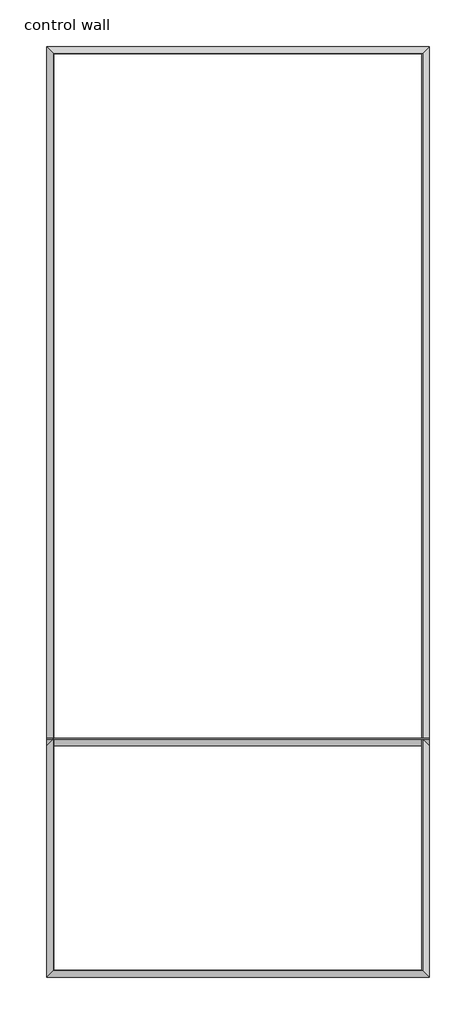
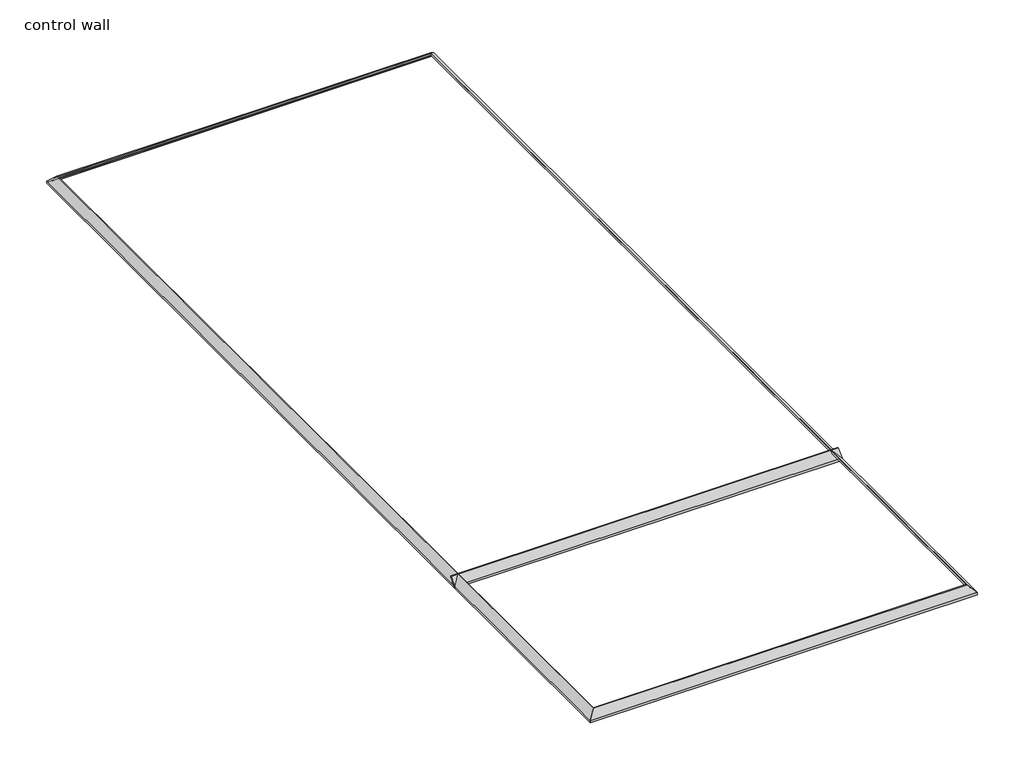
# One storey: 5 proxies.
"""IFC4 building model written with IfcOpenShell, lengths in millimetres."""

import ifcopenshell
import ifcopenshell.guid

model = None  # the IFC model being written
_history = None  # IfcOwnerHistory: only IFC2X3 demands one
_inside = {}  # id of a spatial element -> (the spatial element, [elements in it])
_under = {}  # id of a project, library or spatial element -> (it, [spatial elements below it])
_declared = {}  # id of a project -> (the project, [libraries it declares])
_typed = {}  # id of a type object -> (the type object, [elements of that type])
_made_of = {}  # id of a material, layer set ... -> (it, [elements and type objects made of it])


def new_model(schema):
    """Start an empty IFC model of exactly this schema.

    Asked for "IFC4X3", IfcOpenShell would pick the latest addendum, in which some entities
    have other attributes; the version numbers below select the first issue.
    IFC2X3 requires an IfcOwnerHistory on every rooted entity: one is made here for all.
    """
    global model, _history
    if schema == "IFC4X3":
        model = ifcopenshell.file(schema_version=(4, 3, 0, 0))
    else:
        model = ifcopenshell.file(schema=schema)
    _inside.clear()
    _under.clear()
    _declared.clear()
    _typed.clear()
    _made_of.clear()
    _history = None
    if model.schema == "IFC2X3":
        org = make("IfcOrganization", Name="unknown")
        user = make(
            "IfcPersonAndOrganization",
            ThePerson=make("IfcPerson", FamilyName="unknown"),
            TheOrganization=org,
        )
        app = make(
            "IfcApplication",
            ApplicationDeveloper=org,
            Version="unknown",
            ApplicationFullName="unknown",
            ApplicationIdentifier="unknown",
        )
        _history = make(
            "IfcOwnerHistory",
            OwningUser=user,
            OwningApplication=app,
            ChangeAction="ADDED",
            CreationDate=0,
        )
    return model


def make(cls, **values):
    """One entity of the class cls with the attributes given. An attribute that is None is left unset."""
    return model.create_entity(
        cls, **{name: value for name, value in values.items() if value is not None}
    )


def rooted(cls, **values):
    """An entity with a GlobalId (a new one), such as an element, a storey or a relation."""
    return make(cls, GlobalId=ifcopenshell.guid.new(), OwnerHistory=_history, **values)


def si_unit(unit_type, name, prefix=None):
    """IfcSIUnit, for example si_unit("LENGTHUNIT", "METRE", prefix="MILLI")."""
    return make("IfcSIUnit", UnitType=unit_type, Prefix=prefix, Name=name)


def assignment(units):
    """IfcUnitAssignment: the units of a project."""
    return None if units is None else make("IfcUnitAssignment", Units=units)


def point(xyz):
    """IfcCartesianPoint."""
    return None if xyz is None else make("IfcCartesianPoint", Coordinates=xyz)


def direction(xyz):
    """IfcDirection."""
    return None if xyz is None else make("IfcDirection", DirectionRatios=xyz)


def frame(location, z_axis=None, x_axis=None):
    """IfcAxis2Placement3D, a coordinate frame: its origin and axes. An axis left out is left unset."""
    return make(
        "IfcAxis2Placement3D",
        Location=point(location),
        Axis=direction(z_axis),
        RefDirection=direction(x_axis),
    )


def frame_2d(location, x_axis=None):
    """IfcAxis2Placement2D, a coordinate frame in the plane: its origin and x axis."""
    return make(
        "IfcAxis2Placement2D", Location=point(location), RefDirection=direction(x_axis)
    )


def origin():
    """The frame at (0, 0, 0) with its axes left unset."""
    return frame((0.0, 0.0, 0.0))


def place(relative_to, where):
    """IfcLocalPlacement: puts the frame where relative to a parent placement (None: the world)."""
    return make(
        "IfcLocalPlacement", PlacementRelTo=relative_to, RelativePlacement=where
    )


def context(
    kind, dimensions, precision=None, world=None, true_north=None, identifier=None
):
    """IfcGeometricRepresentationContext, for example the 3D "Model" context."""
    return make(
        "IfcGeometricRepresentationContext",
        ContextIdentifier=identifier,
        ContextType=kind,
        CoordinateSpaceDimension=dimensions,
        Precision=precision,
        WorldCoordinateSystem=world,
        TrueNorth=true_north,
    )


def project(units=None, contexts=None):
    """IfcProject with its units and contexts."""
    return rooted(
        "IfcProject",
        Name="project",
        RepresentationContexts=contexts,
        UnitsInContext=assignment(units),
    )


def spatial(cls, under=None, at=None, **own):
    """A site, building, storey or space (cls), placed at a placement, below another one or the project."""
    s = rooted(cls, ObjectPlacement=at, **own)
    if under is not None:
        _under.setdefault(under.id(), (under, []))[1].append(s)
    return s


def polyline(points):
    """IfcPolyline through the points."""
    return make("IfcPolyline", Points=[point(p) for p in points])


def circle_curve(where, radius):
    """IfcCircle in the frame where."""
    return make("IfcCircle", Position=where, Radius=radius)


def ellipse_curve(where, semi_axis1, semi_axis2):
    """IfcEllipse in the frame where."""
    return make(
        "IfcEllipse", Position=where, SemiAxis1=semi_axis1, SemiAxis2=semi_axis2
    )


def trimmed(basis, trim1, trim2, sense, master):
    """IfcTrimmedCurve: the piece of a basis curve between two trims."""
    return make(
        "IfcTrimmedCurve",
        BasisCurve=basis,
        Trim1=trim1,
        Trim2=trim2,
        SenseAgreement=sense,
        MasterRepresentation=master,
    )


def segment(curve, same_sense, transition):
    """IfcCompositeCurveSegment."""
    return make(
        "IfcCompositeCurveSegment",
        Transition=transition,
        SameSense=same_sense,
        ParentCurve=curve,
    )


def composite_curve(segments, self_intersect=None):
    """IfcCompositeCurve: segments joined end to end."""
    return make("IfcCompositeCurve", Segments=segments, SelfIntersect=self_intersect)


def outline(outer, holes=None, kind="AREA"):
    """IfcArbitraryClosedProfileDef: a profile drawn as a closed curve; with holes, ...WithVoids."""
    if holes is None:
        return make("IfcArbitraryClosedProfileDef", ProfileType=kind, OuterCurve=outer)
    return make(
        "IfcArbitraryProfileDefWithVoids",
        ProfileType=kind,
        OuterCurve=outer,
        InnerCurves=holes,
    )


def extrude(swept, where, along, depth):
    """IfcExtrudedAreaSolid: the profile swept, set in the frame where, extruded along a direction by depth."""
    return make(
        "IfcExtrudedAreaSolid",
        SweptArea=swept,
        Position=where,
        ExtrudedDirection=direction(along),
        Depth=depth,
    )


def shape(context_of_items, identifier, shape_type, items):
    """IfcShapeRepresentation: the items that make up one representation, for example the "Body"."""
    return make(
        "IfcShapeRepresentation",
        ContextOfItems=context_of_items,
        RepresentationIdentifier=identifier,
        RepresentationType=shape_type,
        Items=items,
    )


def made_of(thing, what):
    """Note that an element or type object is made of a material, layer set ...; save() writes the relation."""
    if what is not None:
        _made_of.setdefault(what.id(), (what, []))[1].append(thing)
    return thing


def element(
    cls,
    number,
    at=None,
    inside=None,
    cuts=None,
    type_object=None,
    material=None,
    context=None,
    identifier="Body",
    shape_type=None,
    held_by="IfcProductDefinitionShape",
    body=None,
    shapes=None,
    **own,
):
    """One element of the class cls, such as IfcWall. Its Tag is "e" and its number.

    at: its placement. inside: the storey or other place that contains it. cuts: it is an
    opening in that element (IfcRelVoidsElement). A single representation is given by context,
    identifier, shape_type and body (its items); several are given by shapes. held_by: the class
    of the entity that holds the representations. save() writes the other relations.
    """
    e = rooted(cls, Tag="e%d" % number, ObjectPlacement=at, **own)
    if body is not None:
        shapes = [shape(context, identifier, shape_type, body)]
    if shapes is not None:
        e.Representation = make(held_by, Representations=shapes)
    if inside is not None:
        _inside.setdefault(inside.id(), (inside, []))[1].append(e)
    if cuts is not None:
        rooted(
            "IfcRelVoidsElement", RelatingBuildingElement=cuts, RelatedOpeningElement=e
        )
    if type_object is not None:
        _typed.setdefault(type_object.id(), (type_object, []))[1].append(e)
    return made_of(e, material)


def aggregate(whole, parts):
    """IfcRelAggregates: a whole, such as a stair, and the parts it consists of."""
    return rooted("IfcRelAggregates", RelatingObject=whole, RelatedObjects=parts)


def save(model, path):
    """Write the relations noted so far, then the file.

    IfcRelAggregates (storeys below a building ...), IfcRelContainedInSpatialStructure (elements
    in a storey), IfcRelDefinesByType, IfcRelAssociatesMaterial and IfcRelDeclares: one each for
    every whole, place, type object, material and project.
    """
    for whole, parts in _under.values():
        aggregate(whole, parts)
    for where, things in _inside.values():
        rooted(
            "IfcRelContainedInSpatialStructure",
            RelatedElements=things,
            RelatingStructure=where,
        )
    for kind, things in _typed.values():
        rooted("IfcRelDefinesByType", RelatedObjects=things, RelatingType=kind)
    for what, things in _made_of.values():
        rooted("IfcRelAssociatesMaterial", RelatedObjects=things, RelatingMaterial=what)
    for by, libraries in _declared.values():
        rooted("IfcRelDeclares", RelatingContext=by, RelatedDefinitions=libraries)
    model.write(path)


def plane_surface(at):
    """IfcPlane: the flat surface through the origin of the frame at, square to its z axis."""
    return make("IfcPlane", Position=at)


def cylinder_surface(at, radius):
    """IfcCylindricalSurface: all points at the distance radius from the z axis of the frame at."""
    return make("IfcCylindricalSurface", Position=at, Radius=radius)


def revolved_surface(curve, axis_point, axis_direction):
    """IfcSurfaceOfRevolution: the curve turned about the line through axis_point along axis_direction."""
    return make(
        "IfcSurfaceOfRevolution",
        SweptCurve=make("IfcArbitraryOpenProfileDef", ProfileType="CURVE", Curve=curve),
        AxisPosition=make("IfcAxis1Placement", Location=point(axis_point), Axis=direction(axis_direction)),
    )


def advanced_brep(points, edges, surfaces, faces):
    """IfcAdvancedBrep: a solid bounded by faces that lie on surfaces and meet in shared edges.

    An edge is (start, end): straight between two places in points (the first is 0);
    or (start, end, curve); or (start, end, curve, False) where it runs against its curve.
    A face is (place in surfaces, loops), or (place, loops, False) where it looks against
    its surface's normal. A loop lists edges by number (the first is 1), with a minus sign
    where the edge is run from its end to its start. The first loop is the outer one.
    """
    corners = [point(p) for p in points]
    vertices = [make("IfcVertexPoint", VertexGeometry=c) for c in corners]
    made = []
    for start, end, *more in edges:
        made.append(
            make(
                "IfcEdgeCurve",
                EdgeStart=vertices[start],
                EdgeEnd=vertices[end],
                EdgeGeometry=more[0] if more else make("IfcPolyline", Points=[corners[start], corners[end]]),
                SameSense=more[1] if len(more) > 1 else True,
            )
        )
    hull = []
    for where, loops, *sense in faces:
        bounds = []
        for j, loop in enumerate(loops):
            ring = [make("IfcOrientedEdge", EdgeElement=made[abs(k) - 1], Orientation=k > 0) for k in loop]
            bounds.append(
                make(
                    "IfcFaceOuterBound" if j == 0 else "IfcFaceBound",
                    Bound=make("IfcEdgeLoop", EdgeList=ring),
                    Orientation=True,
                )
            )
        hull.append(make("IfcAdvancedFace", Bounds=bounds, FaceSurface=surfaces[where], SameSense=sense[0] if sense else True))
    return make("IfcAdvancedBrep", Outer=make("IfcClosedShell", CfsFaces=hull))


model = new_model("IFC4")

# Units and contexts
model_context = context("Model", 3, world=origin())
ifc_project = project(units=[si_unit("LENGTHUNIT", "METRE", prefix="MILLI")], contexts=[model_context])

# Site, building, storey
site = spatial("IfcSite", under=ifc_project)
building = spatial("IfcBuilding", under=site)
storey = spatial("IfcBuildingStorey", under=building, Name="control wall", Elevation=2133.6)

# Proxies
placement = place(None, origin())
element("IfcBuildingElementProxy", 1, Name="Wall Sweeps", at=placement, inside=storey, context=model_context, shape_type="AdvancedBrep", body=[
    advanced_brep(
    [(20183.443485, -18730.9029352, 2982.9793892), (20248.4640958, -18665.8823244, 3048.0), (20256.5667938, -18657.7796264, 3048.0), (20256.5667938, -18657.7796264, 3028.95), (20246.943485, -18667.4029352, 3028.95), (20226.4188051, -18687.9276151, 3008.4253202), (20205.8941253, -18708.4522949, 2987.9006403), (20205.8941253, -18708.4522949, 2981.5506403), (20192.4237411, -18721.9226791, 2968.0802561), (20192.4237411, -18721.9226791, 2959.1), (20183.443485, -18730.9029352, 2959.1), (23993.443485, -18730.9029352, 2982.9793892), (23993.443485, -18730.9029352, 2959.1), (23984.4632288, -18721.9226791, 2959.1), (23984.4632288, -18721.9226791, 2968.0802561), (23970.9928447, -18708.4522949, 2981.5506403), (23970.9928447, -18708.4522949, 2987.9006403), (23950.4681648, -18687.9276151, 3008.4253202), (23929.943485, -18667.4029352, 3028.95), (23920.3201762, -18657.7796264, 3028.95), (23920.3201762, -18657.7796264, 3048.0), (23928.4228741, -18665.8823244, 3048.0)],
    [
        (0, 1),
        (1, 2),
        (2, 3),
        (3, 4),
        (4, 5, ellipse_curve(frame((20246.943485, -18667.4029352, 3008.4253202), z_axis=(0.707106781186544, -0.7071067811865511, 0.0), x_axis=(0.707106781186551, 0.7071067811865441, 0.0)), 29.0262806, 20.5246798)),
        (5, 6, ellipse_curve(frame((20205.8941253, -18708.4522949, 3008.4253202), z_axis=(-0.707106781186544, 0.7071067811865511, 0.0), x_axis=(-0.707106781186551, -0.7071067811865441, 0.0)), 29.0262806, 20.5246798)),
        (6, 7),
        (7, 8, ellipse_curve(frame((20205.8941253, -18708.4522949, 2968.0802561), z_axis=(0.707106781186544, -0.7071067811865511, 0.0), x_axis=(0.707106781186551, 0.7071067811865441, 0.0)), 19.05, 13.4703842)),
        (8, 9),
        (9, 10),
        (10, 0),
        (11, 12),
        (12, 13),
        (13, 14),
        (14, 15, ellipse_curve(frame((23970.9928447, -18708.4522949, 2968.0802561), z_axis=(-0.7071067811865547, -0.7071067811865405, 0.0), x_axis=(0.7071067811865404, -0.7071067811865547, 0.0)), 19.05, 13.4703842)),
        (15, 16),
        (16, 17, ellipse_curve(frame((23970.9928447, -18708.4522949, 3008.4253202), z_axis=(0.7071067811865547, 0.7071067811865405, 0.0), x_axis=(-0.7071067811865404, 0.7071067811865547, 0.0)), 29.0262806, 20.5246798)),
        (17, 18, ellipse_curve(frame((23929.943485, -18667.4029352, 3008.4253202), z_axis=(-0.7071067811865547, -0.7071067811865405, 0.0), x_axis=(0.7071067811865404, -0.7071067811865547, 0.0)), 29.0262806, 20.5246798)),
        (18, 19),
        (19, 20),
        (20, 21),
        (21, 11),
        (10, 12),
        (11, 0),
        (1, 21),
        (20, 2),
        (19, 3),
        (18, 4),
        (17, 5),
        (16, 6),
        (15, 7),
        (14, 8),
        (13, 9),
    ],
    [
        plane_surface(frame((20183.443485, -18730.9029352, 2654.3), z_axis=(-0.707106781186544, 0.7071067811865511, 0.0), x_axis=(0.7071067811865511, 0.707106781186544, 0.0))),
        plane_surface(frame((23993.443485, -18730.9029352, 2654.3), z_axis=(0.7071067811865547, 0.7071067811865405, 0.0), x_axis=(-0.7071067811865405, 0.7071067811865547, 0.0))),
        plane_surface(frame((20183.443485, -18730.9029352, 2959.1), z_axis=(0.0, -1.0, 0.0), x_axis=(1.0, 0.0, 0.0))),
        plane_surface(frame((20248.4640958, -18665.8823244, 3048.0), z_axis=(0.0, 0.0, 1.0), x_axis=(1.0, 0.0, 0.0))),
        plane_surface(frame((20183.443485, -18730.9029352, 2982.9793892), z_axis=(0.0, -0.707106781186547, 0.707106781186548), x_axis=(1.0, 0.0, 0.0))),
        plane_surface(frame((20256.5667938, -18657.7796264, 3048.0), z_axis=(0.0, 1.0, 0.0), x_axis=(1.0, 0.0, 0.0))),
        plane_surface(frame((20256.5667938, -18657.7796264, 3028.95), z_axis=(0.0, 0.0, -1.0), x_axis=(1.0, 0.0, 0.0))),
        revolved_surface(polyline([(23950.468164844882, -18646.8782554, 3008.4253202), (20226.4188051, -18646.8782554, 3008.4253202)]), (20183.443485, -18667.4029352, 3008.4253202), (1.0, 0.0, 0.0)),
        cylinder_surface(frame((20183.443485, -18708.4522949, 3008.4253202), z_axis=(-1.0, 0.0, 0.0), x_axis=(0.0, 1.0, 0.0)), 20.5246798),
        plane_surface(frame((20205.8941253, -18708.4522949, 2987.9006403), z_axis=(0.0, 1.0, 0.0), x_axis=(1.0, 0.0, 0.0))),
        revolved_surface(polyline([(23984.463228881603, -18694.981910699997, 2968.0802561), (20192.4237411, -18694.981910699997, 2968.0802561)]), (20183.443485, -18708.4522949, 2968.0802561), (1.0, 0.0, 0.0)),
        plane_surface(frame((20192.4237411, -18721.9226791, 2968.0802561), z_axis=(0.0, 1.0, 0.0), x_axis=(1.0, 0.0, 0.0))),
        plane_surface(frame((20192.4237411, -18721.9226791, 2959.1), z_axis=(0.0, 0.0, -1.0), x_axis=(1.0, 0.0, 0.0))),
    ],
    [
        (0, [[1, 2, 3, 4, 5, 6, 7, 8, 9, 10, 11]]),
        (1, [[12, 13, 14, 15, 16, 17, 18, 19, 20, 21, 22]]),
        (2, [[-11, 23, -12, 24]]),
        (3, [[-2, 25, -21, 26]]),
        (4, [[-1, -24, -22, -25]]),
        (5, [[-3, -26, -20, 27]]),
        (6, [[-4, -27, -19, 28]]),
        (7, [[-5, -28, -18, 29]]),
        (8, [[-6, -29, -17, 30]]),
        (9, [[-7, -30, -16, 31]]),
        (10, [[-8, -31, -15, 32]]),
        (11, [[-9, -32, -14, 33]]),
        (12, [[-10, -33, -13, -23]]),
    ],
),
])
element("IfcBuildingElementProxy", 2, Name="Wall Sweeps", at=placement, inside=storey, context=model_context, shape_type="AdvancedBrep", body=[
    advanced_brep(
    [(23993.443485, -18730.9029352, 2982.9793892), (23928.4228741, -18665.8823244, 3048.0), (23920.3201762, -18657.7796264, 3048.0), (23920.3201762, -18657.7796264, 3028.95), (23929.943485, -18667.4029352, 3028.95), (23950.4681648, -18687.9276151, 3008.4253202), (23970.9928447, -18708.4522949, 2987.9006403), (23970.9928447, -18708.4522949, 2981.5506403), (23984.4632288, -18721.9226791, 2968.0802561), (23984.4632288, -18721.9226791, 2959.1), (23993.443485, -18730.9029352, 2959.1), (23993.443485, -9463.0779352, 2982.9793892), (23993.443485, -9463.0779352, 2959.1), (23984.4632288, -9472.0581913, 2959.1), (23984.4632288, -9472.0581913, 2968.0802561), (23970.9928447, -9485.5285755, 2981.5506403), (23970.9928447, -9485.5285755, 2987.9006403), (23950.4681648, -9506.0532554, 3008.4253202), (23929.943485, -9526.5779352, 3028.95), (23920.3201762, -9536.201244, 3028.95), (23920.3201762, -9536.201244, 3048.0), (23928.4228741, -9528.098546, 3048.0)],
    [
        (0, 1),
        (1, 2),
        (2, 3),
        (3, 4),
        (4, 5, ellipse_curve(frame((23929.943485, -18667.4029352, 3008.4253202), z_axis=(0.7071067811865547, 0.7071067811865405, 0.0), x_axis=(-0.7071067811865406, 0.7071067811865546, 0.0)), 29.0262806, 20.5246798)),
        (5, 6, ellipse_curve(frame((23970.9928447, -18708.4522949, 3008.4253202), z_axis=(-0.7071067811865547, -0.7071067811865405, 0.0), x_axis=(0.7071067811865406, -0.7071067811865546, 0.0)), 29.0262806, 20.5246798)),
        (6, 7),
        (7, 8, ellipse_curve(frame((23970.9928447, -18708.4522949, 2968.0802561), z_axis=(0.7071067811865547, 0.7071067811865405, 0.0), x_axis=(-0.7071067811865406, 0.7071067811865546, 0.0)), 19.05, 13.4703842)),
        (8, 9),
        (9, 10),
        (10, 0),
        (11, 12),
        (12, 13),
        (13, 14),
        (14, 15, ellipse_curve(frame((23970.9928447, -9485.5285755, 2968.0802561), z_axis=(0.707106781186544, -0.7071067811865511, 0.0), x_axis=(0.7071067811865512, 0.7071067811865438, 0.0)), 19.05, 13.4703842)),
        (15, 16),
        (16, 17, ellipse_curve(frame((23970.9928447, -9485.5285755, 3008.4253202), z_axis=(-0.707106781186544, 0.7071067811865511, 0.0), x_axis=(-0.7071067811865512, -0.7071067811865438, 0.0)), 29.0262806, 20.5246798)),
        (17, 18, ellipse_curve(frame((23929.943485, -9526.5779352, 3008.4253202), z_axis=(0.707106781186544, -0.7071067811865511, 0.0), x_axis=(0.7071067811865512, 0.7071067811865438, 0.0)), 29.0262806, 20.5246798)),
        (18, 19),
        (19, 20),
        (20, 21),
        (21, 11),
        (1, 21),
        (20, 2),
        (10, 12),
        (11, 0),
        (19, 3),
        (18, 4),
        (17, 5),
        (16, 6),
        (15, 7),
        (14, 8),
        (13, 9),
    ],
    [
        plane_surface(frame((23993.443485, -18730.9029352, 2654.3), z_axis=(-0.7071067811865547, -0.7071067811865405, 0.0), x_axis=(-0.7071067811865405, 0.7071067811865547, 0.0))),
        plane_surface(frame((23993.443485, -9463.0779352, 2654.3), z_axis=(-0.707106781186544, 0.7071067811865511, 0.0), x_axis=(-0.7071067811865511, -0.707106781186544, 0.0))),
        plane_surface(frame((23928.4228741, -18665.8823244, 3048.0), z_axis=(0.0, 0.0, 1.0), x_axis=(0.0, 1.0, 0.0))),
        plane_surface(frame((23993.443485, -18730.9029352, 2959.1), z_axis=(1.0, 0.0, 0.0), x_axis=(0.0, 1.0, 0.0))),
        plane_surface(frame((23993.443485, -18730.9029352, 2982.9793892), z_axis=(0.707106781186547, 0.0, 0.707106781186548), x_axis=(0.0, 1.0, 0.0))),
        plane_surface(frame((23920.3201762, -18657.7796264, 3048.0), z_axis=(-1.0, 0.0, 0.0), x_axis=(0.0, 1.0, 0.0))),
        plane_surface(frame((23920.3201762, -18657.7796264, 3028.95), z_axis=(0.0, 0.0, -1.0), x_axis=(0.0, 1.0, 0.0))),
        revolved_surface(polyline([(23909.4188052, -9506.053255355117, 3008.4253202), (23909.4188052, -18687.9276151, 3008.4253202)]), (23929.943485, -18730.9029352, 3008.4253202), (0.0, 1.0, 0.0)),
        cylinder_surface(frame((23970.9928447, -18730.9029352, 3008.4253202), z_axis=(0.0, -1.0, 0.0), x_axis=(-1.0, 0.0, 0.0)), 20.5246798),
        plane_surface(frame((23970.9928447, -18708.4522949, 2987.9006403), z_axis=(-1.0, 0.0, 0.0), x_axis=(0.0, 1.0, 0.0))),
        revolved_surface(polyline([(23957.522460499997, -9472.0581913, 2968.0802561), (23957.522460499997, -18721.9226791, 2968.0802561)]), (23970.9928447, -18730.9029352, 2968.0802561), (0.0, 1.0, 0.0)),
        plane_surface(frame((23984.4632288, -18721.9226791, 2968.0802561), z_axis=(-1.0, 0.0, 0.0), x_axis=(0.0, 1.0, 0.0))),
        plane_surface(frame((23984.4632288, -18721.9226791, 2959.1), z_axis=(0.0, 0.0, -1.0), x_axis=(0.0, 1.0, 0.0))),
    ],
    [
        (0, [[1, 2, 3, 4, 5, 6, 7, 8, 9, 10, 11]]),
        (1, [[12, 13, 14, 15, 16, 17, 18, 19, 20, 21, 22]]),
        (2, [[-2, 23, -21, 24]]),
        (3, [[-11, 25, -12, 26]]),
        (4, [[-1, -26, -22, -23]]),
        (5, [[-3, -24, -20, 27]]),
        (6, [[-4, -27, -19, 28]]),
        (7, [[-5, -28, -18, 29]]),
        (8, [[-6, -29, -17, 30]]),
        (9, [[-7, -30, -16, 31]]),
        (10, [[-8, -31, -15, 32]]),
        (11, [[-9, -32, -14, 33]]),
        (12, [[-10, -33, -13, -25]]),
    ],
),
])
element("IfcBuildingElementProxy", 3, Name="Wall Sweeps", at=placement, inside=storey, context=model_context, shape_type="AdvancedBrep", body=[
    advanced_brep(
    [(20183.443485, -9463.0779352, 2982.9793892), (20183.443485, -9463.0779352, 2959.1), (20192.4237411, -9472.0581913, 2959.1), (20192.4237411, -9472.0581913, 2968.0802561), (20205.8941253, -9485.5285755, 2981.5506403), (20205.8941253, -9485.5285755, 2987.9006403), (20226.4188051, -9506.0532554, 3008.4253202), (20246.943485, -9526.5779352, 3028.95), (20256.5667938, -9536.201244, 3028.95), (20256.5667938, -9536.201244, 3048.0), (20248.4640958, -9528.098546, 3048.0), (23993.443485, -9463.0779352, 2982.9793892), (23928.4228741, -9528.098546, 3048.0), (23920.3201762, -9536.201244, 3048.0), (23920.3201762, -9536.201244, 3028.95), (23929.943485, -9526.5779352, 3028.95), (23950.4681648, -9506.0532554, 3008.4253202), (23970.9928447, -9485.5285755, 2987.9006403), (23970.9928447, -9485.5285755, 2981.5506403), (23984.4632288, -9472.0581913, 2968.0802561), (23984.4632288, -9472.0581913, 2959.1), (23993.443485, -9463.0779352, 2959.1)],
    [
        (0, 1),
        (1, 2),
        (2, 3),
        (3, 4, ellipse_curve(frame((20205.8941253, -9485.5285755, 2968.0802561), z_axis=(0.7071067811865529, 0.7071067811865422, 0.0), x_axis=(0.707106781186542, -0.707106781186553, 0.0)), 19.05, 13.4703842)),
        (4, 5),
        (5, 6, ellipse_curve(frame((20205.8941253, -9485.5285755, 3008.4253202), z_axis=(-0.7071067811865529, -0.7071067811865422, 0.0), x_axis=(-0.707106781186542, 0.707106781186553, 0.0)), 29.0262806, 20.5246798)),
        (6, 7, ellipse_curve(frame((20246.943485, -9526.5779352, 3008.4253202), z_axis=(0.7071067811865529, 0.7071067811865422, 0.0), x_axis=(0.707106781186542, -0.707106781186553, 0.0)), 29.0262806, 20.5246798)),
        (7, 8),
        (8, 9),
        (9, 10),
        (10, 0),
        (11, 12),
        (12, 13),
        (13, 14),
        (14, 15),
        (15, 16, ellipse_curve(frame((23929.943485, -9526.5779352, 3008.4253202), z_axis=(-0.707106781186544, 0.7071067811865511, 0.0), x_axis=(0.707106781186551, 0.707106781186544, 0.0)), 29.0262806, 20.5246798)),
        (16, 17, ellipse_curve(frame((23970.9928447, -9485.5285755, 3008.4253202), z_axis=(0.707106781186544, -0.7071067811865511, 0.0), x_axis=(-0.707106781186551, -0.707106781186544, 0.0)), 29.0262806, 20.5246798)),
        (17, 18),
        (18, 19, ellipse_curve(frame((23970.9928447, -9485.5285755, 2968.0802561), z_axis=(-0.707106781186544, 0.7071067811865511, 0.0), x_axis=(0.707106781186551, 0.707106781186544, 0.0)), 19.05, 13.4703842)),
        (19, 20),
        (20, 21),
        (21, 11),
        (0, 11),
        (21, 1),
        (20, 2),
        (19, 3),
        (18, 4),
        (17, 5),
        (16, 6),
        (15, 7),
        (14, 8),
        (13, 9),
        (12, 10),
    ],
    [
        plane_surface(frame((20183.443485, -9463.0779352, 3263.9), z_axis=(-0.7071067811865529, -0.7071067811865422, 0.0), x_axis=(0.7071067811865422, -0.7071067811865529, 0.0))),
        plane_surface(frame((23993.443485, -9463.0779352, 3263.9), z_axis=(0.707106781186544, -0.7071067811865511, 0.0), x_axis=(-0.7071067811865511, -0.707106781186544, 0.0))),
        plane_surface(frame((20183.443485, -9463.0779352, 2982.9793892), z_axis=(0.0, 1.0, 0.0), x_axis=(1.0, 0.0, 0.0))),
        plane_surface(frame((20183.443485, -9463.0779352, 2959.1), z_axis=(0.0, 0.0, -1.0), x_axis=(1.0, 0.0, 0.0))),
        plane_surface(frame((20192.4237411, -9472.0581913, 2959.1), z_axis=(0.0, -1.0, 0.0), x_axis=(1.0, 0.0, 0.0))),
        revolved_surface(polyline([(23984.463228881603, -9498.9989597, 2968.0802561), (20192.4237411, -9498.9989597, 2968.0802561)]), (20183.443485, -9485.5285755, 2968.0802561), (1.0, 0.0, 0.0)),
        plane_surface(frame((20205.8941253, -9485.5285755, 2981.5506403), z_axis=(0.0, -1.0, 0.0), x_axis=(1.0, 0.0, 0.0))),
        cylinder_surface(frame((20183.443485, -9485.5285755, 3008.4253202), z_axis=(-1.0, 0.0, 0.0), x_axis=(0.0, -1.0, 0.0)), 20.5246798),
        revolved_surface(polyline([(23950.468164844882, -9547.102615000002, 3008.4253202), (20226.4188051, -9547.102615000002, 3008.4253202)]), (20183.443485, -9526.5779352, 3008.4253202), (1.0, 0.0, 0.0)),
        plane_surface(frame((20246.943485, -9526.5779352, 3028.95), z_axis=(0.0, 0.0, -1.0), x_axis=(1.0, 0.0, 0.0))),
        plane_surface(frame((20256.5667938, -9536.201244, 3028.95), z_axis=(0.0, -1.0, 0.0), x_axis=(1.0, 0.0, 0.0))),
        plane_surface(frame((20256.5667938, -9536.201244, 3048.0), z_axis=(0.0, 0.0, 1.0), x_axis=(1.0, 0.0, 0.0))),
        plane_surface(frame((20248.4640958, -9528.098546, 3048.0), z_axis=(0.0, 0.707106781186547, 0.707106781186548), x_axis=(1.0, 0.0, 0.0))),
    ],
    [
        (0, [[1, 2, 3, 4, 5, 6, 7, 8, 9, 10, 11]]),
        (1, [[12, 13, 14, 15, 16, 17, 18, 19, 20, 21, 22]]),
        (2, [[-1, 23, -22, 24]]),
        (3, [[-2, -24, -21, 25]]),
        (4, [[-3, -25, -20, 26]]),
        (5, [[-4, -26, -19, 27]]),
        (6, [[-5, -27, -18, 28]]),
        (7, [[-6, -28, -17, 29]]),
        (8, [[-7, -29, -16, 30]]),
        (9, [[-8, -30, -15, 31]]),
        (10, [[-9, -31, -14, 32]]),
        (11, [[-10, -32, -13, 33]]),
        (12, [[-11, -33, -12, -23]]),
    ],
),
])
element("IfcBuildingElementProxy", 4, Name="Wall Sweeps", at=placement, inside=storey, context=model_context, shape_type="AdvancedBrep", body=[
    advanced_brep(
    [(20183.443485, -18730.9029352, 2982.9793892), (20183.443485, -18730.9029352, 2959.1), (20192.4237411, -18721.9226791, 2959.1), (20192.4237411, -18721.9226791, 2968.0802561), (20205.8941253, -18708.4522949, 2981.5506403), (20205.8941253, -18708.4522949, 2987.9006403), (20226.4188051, -18687.9276151, 3008.4253202), (20246.943485, -18667.4029352, 3028.95), (20256.5667938, -18657.7796264, 3028.95), (20256.5667938, -18657.7796264, 3048.0), (20248.4640958, -18665.8823244, 3048.0), (20183.443485, -9463.0779352, 2982.9793892), (20248.4640958, -9528.098546, 3048.0), (20256.5667938, -9536.201244, 3048.0), (20256.5667938, -9536.201244, 3028.95), (20246.943485, -9526.5779352, 3028.95), (20226.4188051, -9506.0532554, 3008.4253202), (20205.8941253, -9485.5285755, 2987.9006403), (20205.8941253, -9485.5285755, 2981.5506403), (20192.4237411, -9472.0581913, 2968.0802561), (20192.4237411, -9472.0581913, 2959.1), (20183.443485, -9463.0779352, 2959.1)],
    [
        (0, 1),
        (1, 2),
        (2, 3),
        (3, 4, ellipse_curve(frame((20205.8941253, -18708.4522949, 2968.0802561), z_axis=(-0.707106781186544, 0.7071067811865511, 0.0), x_axis=(0.7071067811865512, 0.7071067811865438, 0.0)), 19.05, 13.4703842)),
        (4, 5),
        (5, 6, ellipse_curve(frame((20205.8941253, -18708.4522949, 3008.4253202), z_axis=(0.707106781186544, -0.7071067811865511, 0.0), x_axis=(-0.7071067811865512, -0.7071067811865438, 0.0)), 29.0262806, 20.5246798)),
        (6, 7, ellipse_curve(frame((20246.943485, -18667.4029352, 3008.4253202), z_axis=(-0.707106781186544, 0.7071067811865511, 0.0), x_axis=(0.7071067811865512, 0.7071067811865438, 0.0)), 29.0262806, 20.5246798)),
        (7, 8),
        (8, 9),
        (9, 10),
        (10, 0),
        (11, 12),
        (12, 13),
        (13, 14),
        (14, 15),
        (15, 16, ellipse_curve(frame((20246.943485, -9526.5779352, 3008.4253202), z_axis=(-0.7071067811865529, -0.7071067811865422, 0.0), x_axis=(-0.7071067811865422, 0.7071067811865528, 0.0)), 29.0262806, 20.5246798)),
        (16, 17, ellipse_curve(frame((20205.8941253, -9485.5285755, 3008.4253202), z_axis=(0.7071067811865529, 0.7071067811865422, 0.0), x_axis=(0.7071067811865422, -0.7071067811865528, 0.0)), 29.0262806, 20.5246798)),
        (17, 18),
        (18, 19, ellipse_curve(frame((20205.8941253, -9485.5285755, 2968.0802561), z_axis=(-0.7071067811865529, -0.7071067811865422, 0.0), x_axis=(-0.7071067811865422, 0.7071067811865528, 0.0)), 19.05, 13.4703842)),
        (19, 20),
        (20, 21),
        (21, 11),
        (0, 11),
        (21, 1),
        (20, 2),
        (19, 3),
        (18, 4),
        (17, 5),
        (16, 6),
        (15, 7),
        (14, 8),
        (13, 9),
        (12, 10),
    ],
    [
        plane_surface(frame((20183.443485, -18730.9029352, 3263.9), z_axis=(0.707106781186544, -0.7071067811865511, 0.0), x_axis=(0.7071067811865511, 0.707106781186544, 0.0))),
        plane_surface(frame((20183.443485, -9463.0779352, 3263.9), z_axis=(0.7071067811865529, 0.7071067811865422, 0.0), x_axis=(0.7071067811865422, -0.7071067811865529, 0.0))),
        plane_surface(frame((20183.443485, -18730.9029352, 2982.9793892), z_axis=(-1.0, 0.0, 0.0), x_axis=(0.0, 1.0, 0.0))),
        plane_surface(frame((20183.443485, -18730.9029352, 2959.1), z_axis=(0.0, 0.0, -1.0), x_axis=(0.0, 1.0, 0.0))),
        plane_surface(frame((20192.4237411, -18721.9226791, 2959.1), z_axis=(1.0, 0.0, 0.0), x_axis=(0.0, 1.0, 0.0))),
        revolved_surface(polyline([(20219.364509500003, -9472.0581913, 2968.0802561), (20219.364509500003, -18721.9226791, 2968.0802561)]), (20205.8941253, -18730.9029352, 2968.0802561), (0.0, 1.0, 0.0)),
        plane_surface(frame((20205.8941253, -18708.4522949, 2981.5506403), z_axis=(1.0, 0.0, 0.0), x_axis=(0.0, 1.0, 0.0))),
        cylinder_surface(frame((20205.8941253, -18730.9029352, 3008.4253202), z_axis=(0.0, -1.0, 0.0), x_axis=(1.0, 0.0, 0.0)), 20.5246798),
        revolved_surface(polyline([(20267.4681648, -9506.053255355117, 3008.4253202), (20267.4681648, -18687.9276151, 3008.4253202)]), (20246.943485, -18730.9029352, 3008.4253202), (0.0, 1.0, 0.0)),
        plane_surface(frame((20246.943485, -18667.4029352, 3028.95), z_axis=(0.0, 0.0, -1.0), x_axis=(0.0, 1.0, 0.0))),
        plane_surface(frame((20256.5667938, -18657.7796264, 3028.95), z_axis=(1.0, 0.0, 0.0), x_axis=(0.0, 1.0, 0.0))),
        plane_surface(frame((20256.5667938, -18657.7796264, 3048.0), z_axis=(0.0, 0.0, 1.0), x_axis=(0.0, 1.0, 0.0))),
        plane_surface(frame((20248.4640958, -18665.8823244, 3048.0), z_axis=(-0.707106781186547, 0.0, 0.707106781186548), x_axis=(0.0, 1.0, 0.0))),
    ],
    [
        (0, [[1, 2, 3, 4, 5, 6, 7, 8, 9, 10, 11]]),
        (1, [[12, 13, 14, 15, 16, 17, 18, 19, 20, 21, 22]]),
        (2, [[-1, 23, -22, 24]]),
        (3, [[-2, -24, -21, 25]]),
        (4, [[-3, -25, -20, 26]]),
        (5, [[-4, -26, -19, 27]]),
        (6, [[-5, -27, -18, 28]]),
        (7, [[-6, -28, -17, 29]]),
        (8, [[-7, -29, -16, 30]]),
        (9, [[-8, -30, -15, 31]]),
        (10, [[-9, -31, -14, 32]]),
        (11, [[-10, -32, -13, 33]]),
        (12, [[-11, -33, -12, -23]]),
    ],
),
])
element("IfcBuildingElementProxy", 5, Name="Wall Sweeps", at=placement, inside=storey, context=model_context, shape_type="SweptSolid", body=[
    extrude(outline(composite_curve([segment(polyline([(-16422.6779352, 2982.9793892), (-16357.6573244, 3048.0), (-16349.5546264, 3048.0), (-16349.5546264, 3028.95), (-16359.1779352, 3028.95)]), True, "CONTINUOUS"), segment(trimmed(circle_curve(frame_2d((-16359.1779352, 3008.4253202)), 20.5246798), [point((-16359.1779352, 3028.95))], [point((-16379.7026151, 3008.4253202))], True, "CARTESIAN"), True, "CONTINUOUS"), segment(trimmed(circle_curve(frame_2d((-16400.2272949, 3008.4253202)), 20.5246798), [point((-16379.7026151, 3008.4253202))], [point((-16400.2272949, 2987.9006403))], False, "CARTESIAN"), True, "CONTINUOUS"), segment(polyline([(-16400.2272949, 2987.9006403), (-16400.2272949, 2981.5506403)]), True, "CONTINUOUS"), segment(trimmed(circle_curve(frame_2d((-16400.2272949, 2968.0802561)), 13.4703842), [point((-16400.2272949, 2981.5506403))], [point((-16413.6976791, 2968.0802561))], True, "CARTESIAN"), True, "CONTINUOUS"), segment(polyline([(-16413.6976791, 2968.0802561), (-16413.6976791, 2959.1), (-16422.6779352, 2959.1), (-16422.6779352, 2982.9793892)]), True, "CONTINUOUS")], self_intersect=False)), frame((20183.443485, 0.0, 0.0), z_axis=(1.0, 0.0, 0.0), x_axis=(0.0, 1.0, 0.0)), (0.0, 0.0, 1.0), 3810.0),
])

save(model, "model.ifc")
